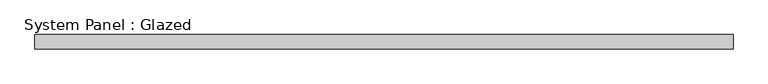
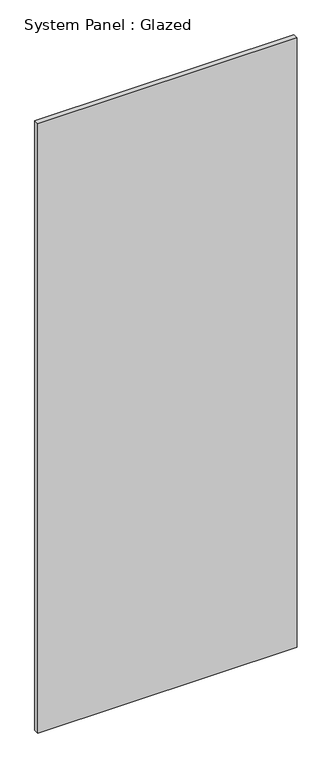
"""IFC4 building model written with IfcOpenShell, lengths in millimetres: plate geometry, System Panel : Glazed."""

from ifc_helpers import new_model, si_unit, origin, origin_with_axes, place, context, project, spatial, polyline, outline, extrude, source, transform, mapped, element, save


def system_panel_glazed_d36acb85(model_context):
    return source(origin(), model_context, "Body", "SweptSolid", [
        extrude(outline(polyline([(618.25, 19.05), (-618.25, 19.05), (-618.25, 44.45), (618.25, 44.45), (618.25, 19.05)])), origin_with_axes(), (0.0, 0.0, 1.0), 3073.0),
    ])


if __name__ == "__main__":
    model = new_model("IFC4")
    model_context = context("Model", 3, world=origin())
    ifc_project = project(units=[si_unit("LENGTHUNIT", "METRE", prefix="MILLI")], contexts=[model_context])
    site = spatial("IfcSite", under=ifc_project)
    building = spatial("IfcBuilding", under=site)
    placement = place(None, origin())
    system_panel_glazed_shape = system_panel_glazed_d36acb85(model_context)
    element("IfcPlate", 1, ObjectType="System Panel : Glazed", at=placement, inside=building, context=model_context, shape_type="MappedRepresentation", body=[
        mapped(system_panel_glazed_shape, transform((0.0, 0.0, 0.0), x_axis=(1.0, 0.0, 0.0), y_axis=(0.0, 1.0, 0.0), z_axis=(0.0, 0.0, 1.0))),
    ])
    save(model, "model.ifc")
